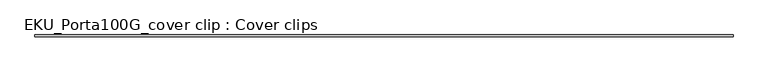
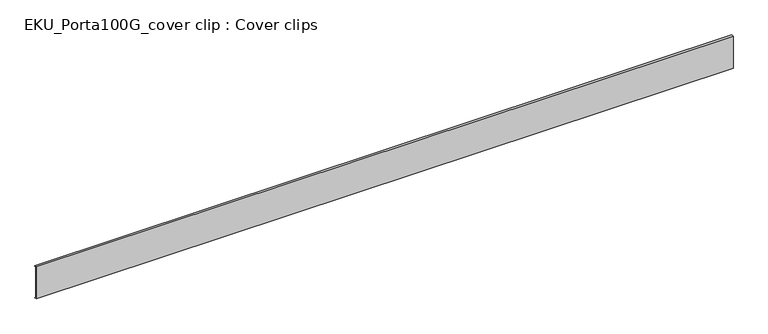
"""IFC4 building model written with IfcOpenShell, lengths in millimetres: proxy geometry, EKU_Porta100G_cover clip : Cover clips."""

import ifcopenshell
import ifcopenshell.guid

model = None  # the IFC model being written
_history = None  # IfcOwnerHistory: only IFC2X3 demands one
_inside = {}  # id of a spatial element -> (the spatial element, [elements in it])
_under = {}  # id of a project, library or spatial element -> (it, [spatial elements below it])
_declared = {}  # id of a project -> (the project, [libraries it declares])
_typed = {}  # id of a type object -> (the type object, [elements of that type])
_made_of = {}  # id of a material, layer set ... -> (it, [elements and type objects made of it])


def new_model(schema):
    """Start an empty IFC model of exactly this schema.

    Asked for "IFC4X3", IfcOpenShell would pick the latest addendum, in which some entities
    have other attributes; the version numbers below select the first issue.
    IFC2X3 requires an IfcOwnerHistory on every rooted entity: one is made here for all.
    """
    global model, _history
    if schema == "IFC4X3":
        model = ifcopenshell.file(schema_version=(4, 3, 0, 0))
    else:
        model = ifcopenshell.file(schema=schema)
    _inside.clear()
    _under.clear()
    _declared.clear()
    _typed.clear()
    _made_of.clear()
    _history = None
    if model.schema == "IFC2X3":
        org = make("IfcOrganization", Name="unknown")
        user = make(
            "IfcPersonAndOrganization",
            ThePerson=make("IfcPerson", FamilyName="unknown"),
            TheOrganization=org,
        )
        app = make(
            "IfcApplication",
            ApplicationDeveloper=org,
            Version="unknown",
            ApplicationFullName="unknown",
            ApplicationIdentifier="unknown",
        )
        _history = make(
            "IfcOwnerHistory",
            OwningUser=user,
            OwningApplication=app,
            ChangeAction="ADDED",
            CreationDate=0,
        )
    return model


def make(cls, **values):
    """One entity of the class cls with the attributes given. An attribute that is None is left unset."""
    return model.create_entity(
        cls, **{name: value for name, value in values.items() if value is not None}
    )


def rooted(cls, **values):
    """An entity with a GlobalId (a new one), such as an element, a storey or a relation."""
    return make(cls, GlobalId=ifcopenshell.guid.new(), OwnerHistory=_history, **values)


def si_unit(unit_type, name, prefix=None):
    """IfcSIUnit, for example si_unit("LENGTHUNIT", "METRE", prefix="MILLI")."""
    return make("IfcSIUnit", UnitType=unit_type, Prefix=prefix, Name=name)


def assignment(units):
    """IfcUnitAssignment: the units of a project."""
    return None if units is None else make("IfcUnitAssignment", Units=units)


def point(xyz):
    """IfcCartesianPoint."""
    return None if xyz is None else make("IfcCartesianPoint", Coordinates=xyz)


def direction(xyz):
    """IfcDirection."""
    return None if xyz is None else make("IfcDirection", DirectionRatios=xyz)


def frame(location, z_axis=None, x_axis=None):
    """IfcAxis2Placement3D, a coordinate frame: its origin and axes. An axis left out is left unset."""
    return make(
        "IfcAxis2Placement3D",
        Location=point(location),
        Axis=direction(z_axis),
        RefDirection=direction(x_axis),
    )


def origin():
    """The frame at (0, 0, 0) with its axes left unset."""
    return frame((0.0, 0.0, 0.0))


def place(relative_to, where):
    """IfcLocalPlacement: puts the frame where relative to a parent placement (None: the world)."""
    return make(
        "IfcLocalPlacement", PlacementRelTo=relative_to, RelativePlacement=where
    )


def context(
    kind, dimensions, precision=None, world=None, true_north=None, identifier=None
):
    """IfcGeometricRepresentationContext, for example the 3D "Model" context."""
    return make(
        "IfcGeometricRepresentationContext",
        ContextIdentifier=identifier,
        ContextType=kind,
        CoordinateSpaceDimension=dimensions,
        Precision=precision,
        WorldCoordinateSystem=world,
        TrueNorth=true_north,
    )


def project(units=None, contexts=None):
    """IfcProject with its units and contexts."""
    return rooted(
        "IfcProject",
        Name="project",
        RepresentationContexts=contexts,
        UnitsInContext=assignment(units),
    )


def spatial(cls, under=None, at=None, **own):
    """A site, building, storey or space (cls), placed at a placement, below another one or the project."""
    s = rooted(cls, ObjectPlacement=at, **own)
    if under is not None:
        _under.setdefault(under.id(), (under, []))[1].append(s)
    return s


def polyline(points):
    """IfcPolyline through the points."""
    return make("IfcPolyline", Points=[point(p) for p in points])


def outline(outer, holes=None, kind="AREA"):
    """IfcArbitraryClosedProfileDef: a profile drawn as a closed curve; with holes, ...WithVoids."""
    if holes is None:
        return make("IfcArbitraryClosedProfileDef", ProfileType=kind, OuterCurve=outer)
    return make(
        "IfcArbitraryProfileDefWithVoids",
        ProfileType=kind,
        OuterCurve=outer,
        InnerCurves=holes,
    )


def extrude(swept, where, along, depth):
    """IfcExtrudedAreaSolid: the profile swept, set in the frame where, extruded along a direction by depth."""
    return make(
        "IfcExtrudedAreaSolid",
        SweptArea=swept,
        Position=where,
        ExtrudedDirection=direction(along),
        Depth=depth,
    )


def shape(context_of_items, identifier, shape_type, items):
    """IfcShapeRepresentation: the items that make up one representation, for example the "Body"."""
    return make(
        "IfcShapeRepresentation",
        ContextOfItems=context_of_items,
        RepresentationIdentifier=identifier,
        RepresentationType=shape_type,
        Items=items,
    )


def source(mapping_origin, context_of_items, identifier, shape_type, items):
    """IfcRepresentationMap: a shape defined once, which mapped items show again and again."""
    return make(
        "IfcRepresentationMap",
        MappingOrigin=mapping_origin,
        MappedRepresentation=shape(context_of_items, identifier, shape_type, items),
    )


def transform(
    local_origin,
    x_axis=None,
    y_axis=None,
    z_axis=None,
    scale=None,
    scale2=None,
    scale3=None,
    uniform=True,
):
    """IfcCartesianTransformationOperator3D, or its non-uniform kind. x_axis, y_axis, z_axis: its Axis1, 2, 3."""
    if uniform:
        return make(
            "IfcCartesianTransformationOperator3D",
            Axis1=direction(x_axis),
            Axis2=direction(y_axis),
            LocalOrigin=point(local_origin),
            Scale=scale,
            Axis3=direction(z_axis),
        )
    return make(
        "IfcCartesianTransformationOperator3DnonUniform",
        Axis1=direction(x_axis),
        Axis2=direction(y_axis),
        LocalOrigin=point(local_origin),
        Scale=scale,
        Axis3=direction(z_axis),
        Scale2=scale2,
        Scale3=scale3,
    )


def mapped(mapping_source, mapping_target):
    """IfcMappedItem: shows the shape of a source again, moved by a transform."""
    return make(
        "IfcMappedItem", MappingSource=mapping_source, MappingTarget=mapping_target
    )


def made_of(thing, what):
    """Note that an element or type object is made of a material, layer set ...; save() writes the relation."""
    if what is not None:
        _made_of.setdefault(what.id(), (what, []))[1].append(thing)
    return thing


def element(
    cls,
    number,
    at=None,
    inside=None,
    cuts=None,
    type_object=None,
    material=None,
    context=None,
    identifier="Body",
    shape_type=None,
    held_by="IfcProductDefinitionShape",
    body=None,
    shapes=None,
    **own,
):
    """One element of the class cls, such as IfcWall. Its Tag is "e" and its number.

    at: its placement. inside: the storey or other place that contains it. cuts: it is an
    opening in that element (IfcRelVoidsElement). A single representation is given by context,
    identifier, shape_type and body (its items); several are given by shapes. held_by: the class
    of the entity that holds the representations. save() writes the other relations.
    """
    e = rooted(cls, Tag="e%d" % number, ObjectPlacement=at, **own)
    if body is not None:
        shapes = [shape(context, identifier, shape_type, body)]
    if shapes is not None:
        e.Representation = make(held_by, Representations=shapes)
    if inside is not None:
        _inside.setdefault(inside.id(), (inside, []))[1].append(e)
    if cuts is not None:
        rooted(
            "IfcRelVoidsElement", RelatingBuildingElement=cuts, RelatedOpeningElement=e
        )
    if type_object is not None:
        _typed.setdefault(type_object.id(), (type_object, []))[1].append(e)
    return made_of(e, material)


def aggregate(whole, parts):
    """IfcRelAggregates: a whole, such as a stair, and the parts it consists of."""
    return rooted("IfcRelAggregates", RelatingObject=whole, RelatedObjects=parts)


def save(model, path):
    """Write the relations noted so far, then the file.

    IfcRelAggregates (storeys below a building ...), IfcRelContainedInSpatialStructure (elements
    in a storey), IfcRelDefinesByType, IfcRelAssociatesMaterial and IfcRelDeclares: one each for
    every whole, place, type object, material and project.
    """
    for whole, parts in _under.values():
        aggregate(whole, parts)
    for where, things in _inside.values():
        rooted(
            "IfcRelContainedInSpatialStructure",
            RelatedElements=things,
            RelatingStructure=where,
        )
    for kind, things in _typed.values():
        rooted("IfcRelDefinesByType", RelatedObjects=things, RelatingType=kind)
    for what, things in _made_of.values():
        rooted("IfcRelAssociatesMaterial", RelatedObjects=things, RelatingMaterial=what)
    for by, libraries in _declared.values():
        rooted("IfcRelDeclares", RelatingContext=by, RelatedDefinitions=libraries)
    model.write(path)


def eku_porta100g_cover_clip_cover_clips_4382afbf(model_context):
    return source(origin(), model_context, "Body", "SweptSolid", [
        extrude(outline(polyline([(-5.5, 41.0), (0.0, 41.0), (0.0, 40.0), (-4.5160371, 40.0), (-4.5160371, -52.9871983), (0.0, -52.9871983), (0.0, -54.0), (-5.5, -54.0), (-5.5, 41.0)])), frame((0.0, 0.0, 0.0), z_axis=(1.0, 0.0, 0.0), x_axis=(0.0, 1.0, 0.0)), (0.0, 0.0, 1.0), 1950.0),
    ])


if __name__ == "__main__":
    model = new_model("IFC4")
    model_context = context("Model", 3, world=origin())
    ifc_project = project(units=[si_unit("LENGTHUNIT", "METRE", prefix="MILLI")], contexts=[model_context])
    site = spatial("IfcSite", under=ifc_project)
    building = spatial("IfcBuilding", under=site)
    placement = place(None, origin())
    eku_porta100g_cover_clip_cover_clips_shape = eku_porta100g_cover_clip_cover_clips_4382afbf(model_context)
    element("IfcBuildingElementProxy", 1, Name="EKU_Porta100G_cover clip : Cover clips", ObjectType="EKU_Porta100G_cover clip : Cover clips", at=placement, inside=building, context=model_context, shape_type="MappedRepresentation", body=[
        mapped(eku_porta100g_cover_clip_cover_clips_shape, transform((0.0, 0.0, 0.0), x_axis=(1.0, 0.0, 0.0), y_axis=(0.0, 1.0, 0.0), z_axis=(0.0, 0.0, 1.0))),
    ])
    save(model, "model.ifc")
